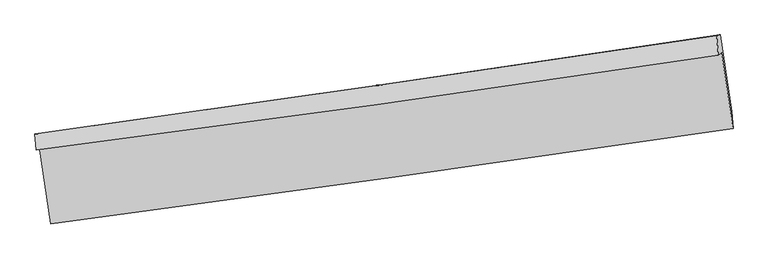
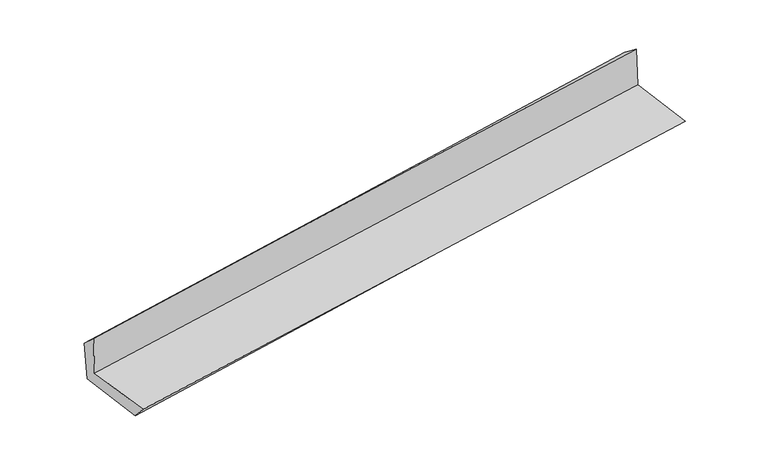
"""IFC4 building model written with IfcOpenShell, lengths in millimetres: proxy geometry."""

from ifc_helpers import new_model, si_unit, frame, origin, place, context, project, spatial, source, transform, mapped, element, save
from ifc_brep_helpers import plane_surface, spline_curve, spline_surface, advanced_brep


def generic_models_69a8d8fb(model_context):
    return source(origin(), model_context, "Body", "AdvancedBrep", [
        advanced_brep(
        [(-3003.1464593, -1896.3559626, 1649.5967998), (-2902.4578718, -2571.4160715, 1637.3846946), (3050.4298451, -1738.3260983, 2119.1514379), (2950.5614126, -1074.2279664, 2141.3255897), (-3030.3522353, -1928.7140277, 2048.4057733), (2921.567351, -1097.9887279, 2546.5986144), (-3040.4776839, -1786.9794465, 1913.6290877), (2907.0995794, -928.7235242, 2415.2624597), (-3009.910705, -1781.41381, 1522.2532262), (2936.8261055, -920.3954545, 2029.2783746), (-2909.2481641, -2450.8751527, 1500.0548848), (3037.9509104, -1589.1008652, 1999.924105)],
        [
            (0, 1),
            (1, 2, spline_curve(3, [(-2902.4578718, -2571.4160715, 1637.3846946), (-1909.972918114, -2441.65202147, 1729.668930323), (-917.635452534, -2307.342697595, 1815.959723678), (1066.660427944, -2029.645269869, 1976.547622598), (2058.618867922, -1886.257935758, 2050.845743387), (3050.4298451, -1738.3260983, 2119.1514379)], [4, 2, 4], [0.0, 9.89293692729816, 19.785035560910153])),
            (2, 3),
            (3, 0, spline_curve(3, [(2950.5614126, -1074.2279664, 2141.3255897), (1959.385332075, -1227.245381556, 2074.469541024), (967.676013311, -1372.262191672, 2000.066173714), (-1016.893186882, -1646.306212997, 1836.157856477), (-2009.753158899, -1775.332068426, 1746.651627024), (-3003.1464593, -1896.3559626, 1649.5967998)], [4, 2, 4], [0.0, 9.892098633611992, 19.785035560910153])),
            (4, 0),
            (3, 5),
            (5, 4, spline_curve(3, [(2921.567351, -1097.9887279, 2546.5986144), (1930.003712853, -1248.491356767, 2479.943477809), (938.249617957, -1392.967101938, 2405.101945633), (-1045.723545074, -1669.87655654, 2239.039052668), (-2037.942645819, -1802.309244746, 2147.816304839), (-3030.3522353, -1928.7140277, 2048.4057733)], [4, 2, 4], [0.0, 9.892271877284037, 19.78538206293556])),
            (6, 4),
            (5, 7),
            (7, 6, spline_curve(3, [(2907.0995794, -928.7235242, 2415.2624597), (1916.141240116, -1075.375534446, 2333.968607209), (925.05163759, -1220.219912443, 2251.520719773), (-1057.474094778, -1506.305526229, 2084.309791686), (-2048.910246476, -1647.546455671, 1999.546554763), (-3040.4776839, -1786.9794465, 1913.6290877)], [4, 2, 4], [0.0, 9.891723651687531, 19.784285565283852])),
            (8, 6),
            (7, 9),
            (9, 8, spline_curve(3, [(2936.8261055, -920.3954545, 2029.2783746), (1946.029134256, -1068.475793689, 1948.6029894), (955.09025056, -1214.26454961, 1866.015072303), (-1027.155328679, -1501.271056681, 1697.007013411), (-2018.462048882, -1642.488418952, 1610.586547851), (-3009.910705, -1781.41381, 1522.2532262)], [4, 2, 4], [0.0, 9.89150080213017, 19.783839847284014])),
            (10, 8),
            (9, 11),
            (11, 10, spline_curve(3, [(3037.9509104, -1589.1008652, 1999.924105), (2047.003795587, -1738.097761172, 1922.808774315), (1055.951318067, -1884.407804033, 1842.597236574), (-926.448355314, -2171.666355137, 1675.974688214), (-1917.795569539, -2312.614408005, 1589.563152197), (-2909.2481641, -2450.8751527, 1500.0548848)], [4, 2, 4], [0.0, 9.891519895831104, 19.783878036303957])),
            (1, 10),
            (11, 2),
        ],
        [
            spline_surface(3, 3, [[(-3003.1464593, -1896.3559626, 1649.5967998), (-2009.753158791, -1775.332068367, 1746.651627113), (-1016.893186913, -1646.306213074, 1836.157856394), (967.676013342, -1372.262191595, 2000.066173797), (1959.385332092, -1227.245381525, 2074.469541149), (2950.5614126, -1074.2279664, 2141.3255897)], [(-2969.583596775, -2121.375998893, 1645.526098066), (-1976.493078589, -1997.438719353, 1740.990728146), (-983.807275472, -1866.651707963, 1829.425145529), (1000.670818238, -1591.389884309, 1992.226656706), (1992.463177409, -1446.916232896, 2066.59494188), (2983.850890103, -1295.594010375, 2133.93420574)], [(-2936.020734325, -2346.396035207, 1641.455396334), (-1943.23299846, -2219.54537036, 1735.329829181), (-950.721364045, -2086.997202846, 1822.692434641), (1033.665623119, -1810.517577016, 1984.387139591), (2025.541022718, -1666.587084243, 2058.72034269), (3017.140367597, -1516.960054325, 2126.54282186)], [(-2902.4578718, -2571.4160715, 1637.3846946), (-1909.972918257, -2441.652021347, 1729.668930213), (-917.635452605, -2307.342697735, 1815.959723777), (1066.660428015, -2029.645269729, 1976.5476225), (2058.618868035, -1886.257935614, 2050.845743421), (3050.4298451, -1738.3260983, 2119.1514379)]], [4, 4], [4, 2, 4], [0.0, 2.1882501422057254], [0.0, 9.89293692729816, 19.785035560910153]),
            spline_surface(3, 3, [[(-3030.3522353, -1928.7140277, 2048.4057733), (-2037.942645867, -1802.309244885, 2147.816304743), (-1045.723545134, -1669.876556638, 2239.039052743), (938.249618018, -1392.967101839, 2405.101945558), (1930.003712718, -1248.491356834, 2479.943477927), (2921.567351, -1097.9887279, 2546.5986144)], [(-3021.2836433, -1917.928006009, 1915.469448802), (-2028.546150175, -1793.316852722, 2014.094745536), (-1036.113425734, -1662.019775466, 2104.745320622), (948.058416453, -1386.065465107, 2270.090021633), (1939.797585845, -1241.409365063, 2344.785499005), (2931.232038202, -1090.068474065, 2411.507606171)], [(-3012.2150513, -1907.141984291, 1782.533124298), (-2019.149654483, -1784.32446053, 1880.373186321), (-1026.503306313, -1654.162994246, 1970.451588514), (957.867214907, -1379.163828328, 2135.078097721), (1949.591458965, -1234.327373296, 2209.627520071), (2940.896725398, -1082.148220235, 2276.416597929)], [(-3003.1464593, -1896.3559626, 1649.5967998), (-2009.753158791, -1775.332068367, 1746.651627113), (-1016.893186913, -1646.306213074, 1836.157856394), (967.676013342, -1372.262191595, 2000.066173797), (1959.385332092, -1227.245381525, 2074.469541149), (2950.5614126, -1074.2279664, 2141.3255897)]], [4, 4], [4, 2, 4], [0.0, 1.3307473411707047], [0.0, 9.893110185651524, 19.78538206293556]),
            spline_surface(3, 3, [[(-3040.4776839, -1786.9794465, 1913.6290877), (-2048.910246421, -1647.546455537, 1999.546554733), (-1057.474094697, -1506.305526245, 2084.309791525), (925.051637509, -1220.219912428, 2251.520719933), (1916.141240175, -1075.375534286, 2333.968607119), (2907.0995794, -928.7235242, 2415.2624597)], [(-3037.102534367, -1834.224306882, 1958.554649576), (-2045.25437957, -1699.134051968, 2048.969804745), (-1053.55724483, -1560.829203019, 2135.886211919), (929.450964358, -1277.802308874, 2302.714461797), (1920.762064335, -1133.080808443, 2382.626897385), (2911.922169913, -985.145258741, 2459.04117793)], [(-3033.727384833, -1881.469167318, 2003.480211424), (-2041.598512718, -1750.721648454, 2098.393054731), (-1049.640395001, -1615.352879865, 2187.462632349), (933.850291169, -1335.384705393, 2353.908203694), (1925.382888558, -1190.786082677, 2431.285187661), (2916.744760487, -1041.566993359, 2502.81989617)], [(-3030.3522353, -1928.7140277, 2048.4057733), (-2037.942645867, -1802.309244885, 2147.816304743), (-1045.723545134, -1669.876556638, 2239.039052743), (938.249618018, -1392.967101839, 2405.101945558), (1930.003712718, -1248.491356834, 2479.943477927), (2921.567351, -1097.9887279, 2546.5986144)]], [4, 4], [4, 2, 4], [0.0, 0.749561100580065], [0.0, 9.892561913596321, 19.784285565283852]),
            spline_surface(3, 3, [[(-3009.910705, -1781.41381, 1522.2532262), (-2018.4620488, -1642.48841898, 1610.586547884), (-1027.155328779, -1501.271056595, 1697.007013535), (955.090250661, -1214.264549696, 1866.015072179), (1946.029134153, -1068.475793557, 1948.602989313), (2936.8261055, -920.3954545, 2029.2783746)], [(-3020.099697992, -1783.269022197, 1652.711846716), (-2028.611448033, -1644.174431196, 1740.239883516), (-1037.261584079, -1502.949213162, 1826.107939527), (945.077379616, -1216.249670624, 1994.516954759), (1936.066502829, -1070.775707152, 2077.058195268), (2926.917263469, -923.171477752, 2157.93973632)], [(-3030.288690908, -1785.124234303, 1783.170467184), (-2038.760847189, -1645.860443321, 1869.893219101), (-1047.367839398, -1504.627369678, 1955.208865533), (935.064508554, -1218.2347915, 2123.018837353), (1926.103871499, -1073.075620691, 2205.513401164), (2917.008421431, -925.947500948, 2286.60109798)], [(-3040.4776839, -1786.9794465, 1913.6290877), (-2048.910246421, -1647.546455537, 1999.546554733), (-1057.474094697, -1506.305526245, 2084.309791525), (925.051637509, -1220.219912428, 2251.520719933), (1916.141240175, -1075.375534286, 2333.968607119), (2907.0995794, -928.7235242, 2415.2624597)]], [4, 4], [4, 2, 4], [0.0, 1.2717189817493335], [0.0, 9.892339045153845, 19.783839847284014]),
            spline_surface(3, 3, [[(-2909.2481641, -2450.8751527, 1500.0548848), (-1917.795569646, -2312.614408112, 1589.563152235), (-926.448355443, -2171.666355207, 1675.974688088), (1055.951318196, -1884.407803962, 1842.5972367), (2047.003795499, -1738.097761042, 1922.808774241), (3037.9509104, -1589.1008652, 1999.924105)], [(-2942.802344383, -2227.721371775, 1507.454331918), (-1951.351062681, -2089.239078377, 1596.57095077), (-960.017346581, -1948.201255652, 1682.985463256), (1022.330962325, -1661.026719189, 1850.403181879), (2013.345575063, -1514.890438539, 1931.40684592), (3004.242642113, -1366.199061625, 2009.708861522)], [(-2976.356524717, -2004.567590925, 1514.853779082), (-1984.906555765, -1865.863748715, 1603.57874935), (-993.586337642, -1724.736156151, 1689.996238367), (988.710606532, -1437.645634469, 1858.209127), (1979.687354588, -1291.683116061, 1940.004917634), (2970.534373787, -1143.297258075, 2019.493618078)], [(-3009.910705, -1781.41381, 1522.2532262), (-2018.4620488, -1642.48841898, 1610.586547884), (-1027.155328779, -1501.271056595, 1697.007013535), (955.090250661, -1214.264549696, 1866.015072179), (1946.029134153, -1068.475793557, 1948.602989313), (2936.8261055, -920.3954545, 2029.2783746)]], [4, 4], [4, 2, 4], [0.0, 2.2249617142816223], [0.0, 9.892358140472853, 19.783878036303957]),
            spline_surface(3, 3, [[(-2902.4578718, -2571.4160715, 1637.3846946), (-1909.972918257, -2441.652021347, 1729.668930213), (-917.635452605, -2307.342697735, 1815.959723777), (1066.660428015, -2029.645269729, 1976.5476225), (2058.618868035, -1886.257935614, 2050.845743421), (3050.4298451, -1738.3260983, 2119.1514379)], [(-2904.721302583, -2531.235765244, 1591.608091322), (-1912.580468736, -2398.639483612, 1682.967004209), (-920.573086875, -2262.117250233, 1769.298045208), (1063.090724751, -1981.232781147, 1931.897493894), (2054.747177191, -1836.871210766, 2008.166753712), (3046.270200201, -1688.584353942, 2079.408993617)], [(-2906.984733317, -2491.055458956, 1545.831488078), (-1915.188019167, -2355.626945847, 1636.265078239), (-923.510721173, -2216.89180271, 1722.636366656), (1059.52102146, -1932.820292545, 1887.247365306), (2050.875486343, -1787.48448589, 1965.48776395), (3042.110555299, -1638.842609558, 2039.666549283)], [(-2909.2481641, -2450.8751527, 1500.0548848), (-1917.795569646, -2312.614408112, 1589.563152235), (-926.448355443, -2171.666355207, 1675.974688088), (1055.951318196, -1884.407803962, 1842.5972367), (2047.003795499, -1738.097761042, 1922.808774241), (3037.9509104, -1589.1008652, 1999.924105)]], [4, 4], [4, 2, 4], [0.0, 0.6444452147816567], [0.0, 9.89247368836199, 19.7841091222911]),
            plane_surface(frame((2967.4058673, -1224.7937727, 2208.5900969), z_axis=(0.9861679575357059, 0.1456610637575917, 0.07909243980850157), x_axis=(-0.07676975096729795, -0.02150751955215353, 0.9968168497467992))),
            plane_surface(frame((-2982.5988532, -2069.2924118, 1711.8874111), z_axis=(-0.986167957535707, -0.14566106375773566, -0.07909243980822275), x_axis=(-0.1474994258055771, 0.9889003395777581, 0.017889599492998766))),
        ],
        [
            (0, [[1, 2, 3, 4]]),
            (1, [[5, -4, 6, 7]]),
            (2, [[8, -7, 9, 10]]),
            (3, [[11, -10, 12, 13]]),
            (4, [[14, -13, 15, 16]]),
            (5, [[17, -16, 18, -2]]),
            (6, [[-12, -9, -6, -3, -18, -15]]),
            (7, [[-1, -5, -8, -11, -14, -17]]),
        ],
    ),
    ])


if __name__ == "__main__":
    model = new_model("IFC4")
    model_context = context("Model", 3, world=origin())
    ifc_project = project(units=[si_unit("LENGTHUNIT", "METRE", prefix="MILLI")], contexts=[model_context])
    site = spatial("IfcSite", under=ifc_project)
    building = spatial("IfcBuilding", under=site)
    placement = place(None, origin())
    generic_models_shape = generic_models_69a8d8fb(model_context)
    element("IfcBuildingElementProxy", 1, Name="Generic Models", at=placement, inside=building, context=model_context, shape_type="MappedRepresentation", body=[
        mapped(generic_models_shape, transform((0.0, 0.0, 0.0), x_axis=(1.0, 0.0, 0.0), y_axis=(0.0, 1.0, 0.0), z_axis=(0.0, 0.0, 1.0))),
    ])
    save(model, "model.ifc")
